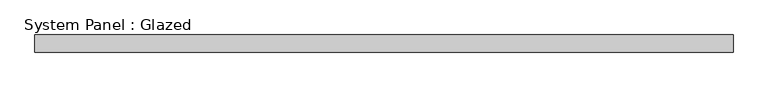
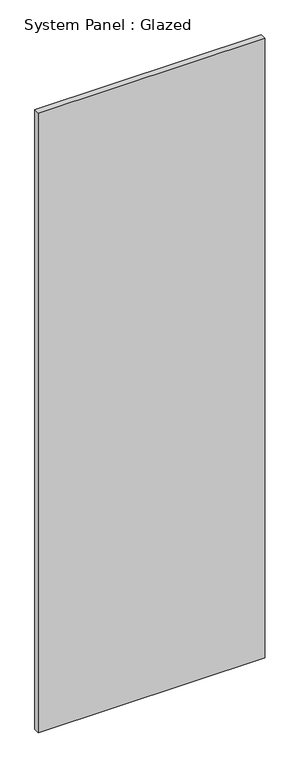
"""IFC4 building model written with IfcOpenShell, lengths in millimetres: plate geometry, System Panel : Glazed."""

from ifc_helpers import new_model, si_unit, origin, origin_with_axes, place, context, project, spatial, polyline, outline, extrude, source, transform, mapped, element, save


def system_panel_glazed_1f5f2194(model_context):
    return source(origin(), model_context, "Body", "SweptSolid", [
        extrude(outline(polyline([(508.0, -12.7), (-508.0, -12.7), (-508.0, 12.7), (508.0, 12.7), (508.0, -12.7)])), origin_with_axes(), (0.0, 0.0, 1.0), 2940.05),
    ])


if __name__ == "__main__":
    model = new_model("IFC4")
    model_context = context("Model", 3, world=origin())
    ifc_project = project(units=[si_unit("LENGTHUNIT", "METRE", prefix="MILLI")], contexts=[model_context])
    site = spatial("IfcSite", under=ifc_project)
    building = spatial("IfcBuilding", under=site)
    placement = place(None, origin())
    system_panel_glazed_shape = system_panel_glazed_1f5f2194(model_context)
    element("IfcPlate", 1, ObjectType="System Panel : Glazed", at=placement, inside=building, context=model_context, shape_type="MappedRepresentation", body=[
        mapped(system_panel_glazed_shape, transform((0.0, 0.0, 0.0), x_axis=(1.0, 0.0, 0.0), y_axis=(0.0, 1.0, 0.0), z_axis=(0.0, 0.0, 1.0))),
    ])
    save(model, "model.ifc")
